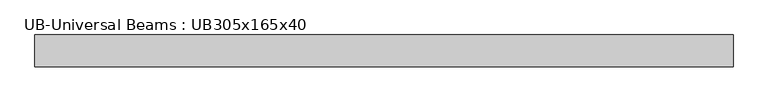
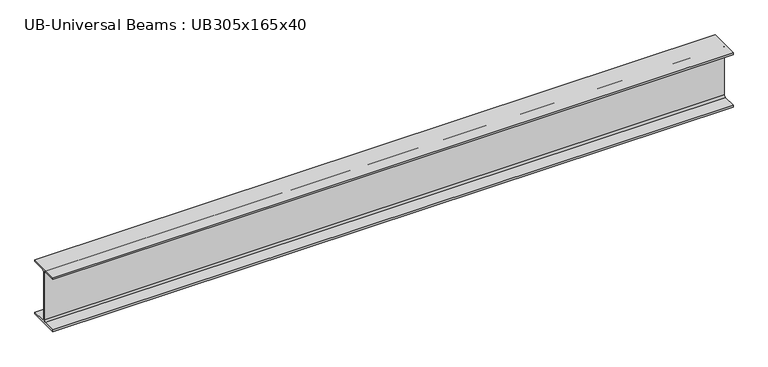
"""IFC4 building model written with IfcOpenShell, lengths in millimetres: beam geometry, UB-Universal Beams : UB305x165x40."""

from ifc_helpers import new_model, si_unit, point, frame, frame_2d, origin, place, context, project, spatial, polyline, circle_curve, trimmed, segment, composite_curve, outline, extrude, source, transform, mapped, element, save


def ub_universal_beams_ub305x165x40_4470e875(model_context):
    return source(origin(), model_context, "Body", "SweptSolid", [
        extrude(outline(composite_curve([segment(polyline([(82.5, -141.5), (82.5, -151.7), (-82.5, -151.7), (-82.5, -141.5), (-11.9, -141.5)]), True, "CONTINUOUS"), segment(trimmed(circle_curve(frame_2d((-11.9, -132.6)), 8.9), [point((-11.9, -141.5))], [point((-3.0, -132.6))], True, "CARTESIAN"), True, "CONTINUOUS"), segment(polyline([(-3.0, -132.6), (-3.0, 132.6)]), True, "CONTINUOUS"), segment(trimmed(circle_curve(frame_2d((-11.9, 132.6)), 8.9), [point((-3.0, 132.6))], [point((-11.9, 141.5))], True, "CARTESIAN"), True, "CONTINUOUS"), segment(polyline([(-11.9, 141.5), (-82.5, 141.5), (-82.5, 151.7), (82.5, 151.7), (82.5, 141.5), (11.9, 141.5)]), True, "CONTINUOUS"), segment(trimmed(circle_curve(frame_2d((11.9, 132.6)), 8.9), [point((11.9, 141.5))], [point((3.0, 132.6))], True, "CARTESIAN"), True, "CONTINUOUS"), segment(polyline([(3.0, 132.6), (3.0, -132.6)]), True, "CONTINUOUS"), segment(trimmed(circle_curve(frame_2d((11.9, -132.6)), 8.9), [point((3.0, -132.6))], [point((11.9, -141.5))], True, "CARTESIAN"), True, "CONTINUOUS"), segment(polyline([(11.9, -141.5), (82.5, -141.5)]), True, "CONTINUOUS")], self_intersect=False)), frame((-1717.5, 0.0, 0.0), z_axis=(1.0, 0.0, 0.0), x_axis=(0.0, 1.0, 0.0)), (0.0, 0.0, 1.0), 3600.0),
    ])


if __name__ == "__main__":
    model = new_model("IFC4")
    model_context = context("Model", 3, world=origin())
    ifc_project = project(units=[si_unit("LENGTHUNIT", "METRE", prefix="MILLI")], contexts=[model_context])
    site = spatial("IfcSite", under=ifc_project)
    building = spatial("IfcBuilding", under=site)
    placement = place(None, origin())
    ub_universal_beams_ub305x165x40_shape = ub_universal_beams_ub305x165x40_4470e875(model_context)
    element("IfcBeam", 1, ObjectType="UB-Universal Beams : UB305x165x40", at=placement, inside=building, context=model_context, shape_type="MappedRepresentation", body=[
        mapped(ub_universal_beams_ub305x165x40_shape, transform((0.0, 0.0, 0.0), x_axis=(1.0, 0.0, 0.0), y_axis=(0.0, 1.0, 0.0), z_axis=(0.0, 0.0, 1.0))),
    ])
    save(model, "model.ifc")
